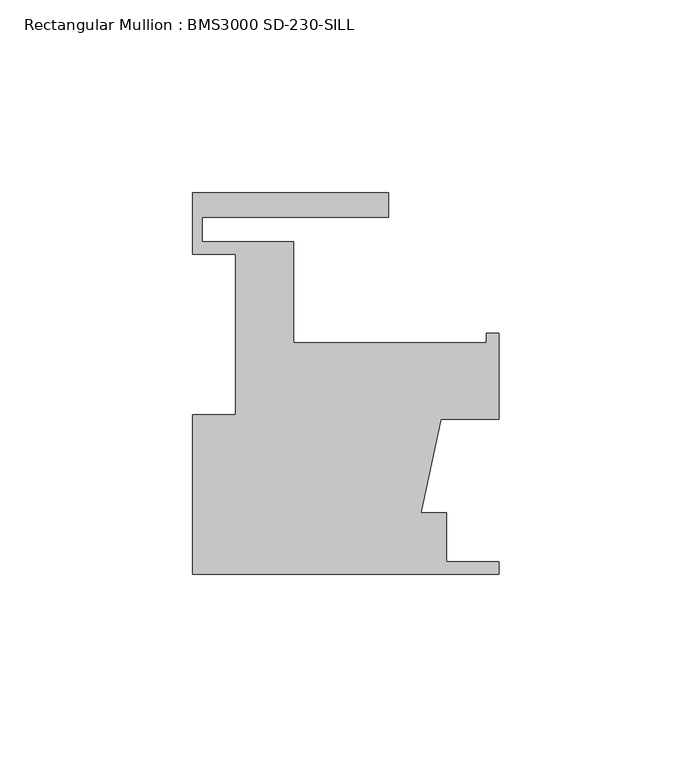
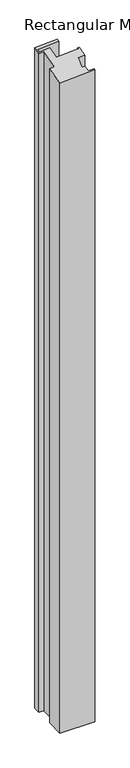
"""IFC4 building model written with IfcOpenShell, lengths in millimetres: member geometry, Rectangular Mullion : BMS3000 SD-230-SILL."""

import ifcopenshell
import ifcopenshell.guid

model = None  # the IFC model being written
_history = None  # IfcOwnerHistory: only IFC2X3 demands one
_inside = {}  # id of a spatial element -> (the spatial element, [elements in it])
_under = {}  # id of a project, library or spatial element -> (it, [spatial elements below it])
_declared = {}  # id of a project -> (the project, [libraries it declares])
_typed = {}  # id of a type object -> (the type object, [elements of that type])
_made_of = {}  # id of a material, layer set ... -> (it, [elements and type objects made of it])


def new_model(schema):
    """Start an empty IFC model of exactly this schema.

    Asked for "IFC4X3", IfcOpenShell would pick the latest addendum, in which some entities
    have other attributes; the version numbers below select the first issue.
    IFC2X3 requires an IfcOwnerHistory on every rooted entity: one is made here for all.
    """
    global model, _history
    if schema == "IFC4X3":
        model = ifcopenshell.file(schema_version=(4, 3, 0, 0))
    else:
        model = ifcopenshell.file(schema=schema)
    _inside.clear()
    _under.clear()
    _declared.clear()
    _typed.clear()
    _made_of.clear()
    _history = None
    if model.schema == "IFC2X3":
        org = make("IfcOrganization", Name="unknown")
        user = make(
            "IfcPersonAndOrganization",
            ThePerson=make("IfcPerson", FamilyName="unknown"),
            TheOrganization=org,
        )
        app = make(
            "IfcApplication",
            ApplicationDeveloper=org,
            Version="unknown",
            ApplicationFullName="unknown",
            ApplicationIdentifier="unknown",
        )
        _history = make(
            "IfcOwnerHistory",
            OwningUser=user,
            OwningApplication=app,
            ChangeAction="ADDED",
            CreationDate=0,
        )
    return model


def make(cls, **values):
    """One entity of the class cls with the attributes given. An attribute that is None is left unset."""
    return model.create_entity(
        cls, **{name: value for name, value in values.items() if value is not None}
    )


def rooted(cls, **values):
    """An entity with a GlobalId (a new one), such as an element, a storey or a relation."""
    return make(cls, GlobalId=ifcopenshell.guid.new(), OwnerHistory=_history, **values)


def si_unit(unit_type, name, prefix=None):
    """IfcSIUnit, for example si_unit("LENGTHUNIT", "METRE", prefix="MILLI")."""
    return make("IfcSIUnit", UnitType=unit_type, Prefix=prefix, Name=name)


def assignment(units):
    """IfcUnitAssignment: the units of a project."""
    return None if units is None else make("IfcUnitAssignment", Units=units)


def point(xyz):
    """IfcCartesianPoint."""
    return None if xyz is None else make("IfcCartesianPoint", Coordinates=xyz)


def direction(xyz):
    """IfcDirection."""
    return None if xyz is None else make("IfcDirection", DirectionRatios=xyz)


def frame(location, z_axis=None, x_axis=None):
    """IfcAxis2Placement3D, a coordinate frame: its origin and axes. An axis left out is left unset."""
    return make(
        "IfcAxis2Placement3D",
        Location=point(location),
        Axis=direction(z_axis),
        RefDirection=direction(x_axis),
    )


def origin():
    """The frame at (0, 0, 0) with its axes left unset."""
    return frame((0.0, 0.0, 0.0))


def place(relative_to, where):
    """IfcLocalPlacement: puts the frame where relative to a parent placement (None: the world)."""
    return make(
        "IfcLocalPlacement", PlacementRelTo=relative_to, RelativePlacement=where
    )


def context(
    kind, dimensions, precision=None, world=None, true_north=None, identifier=None
):
    """IfcGeometricRepresentationContext, for example the 3D "Model" context."""
    return make(
        "IfcGeometricRepresentationContext",
        ContextIdentifier=identifier,
        ContextType=kind,
        CoordinateSpaceDimension=dimensions,
        Precision=precision,
        WorldCoordinateSystem=world,
        TrueNorth=true_north,
    )


def project(units=None, contexts=None):
    """IfcProject with its units and contexts."""
    return rooted(
        "IfcProject",
        Name="project",
        RepresentationContexts=contexts,
        UnitsInContext=assignment(units),
    )


def spatial(cls, under=None, at=None, **own):
    """A site, building, storey or space (cls), placed at a placement, below another one or the project."""
    s = rooted(cls, ObjectPlacement=at, **own)
    if under is not None:
        _under.setdefault(under.id(), (under, []))[1].append(s)
    return s


def faces_of(points, faces, orient=None, outer=None):
    """IfcFace entities. A face is a list of loops; a loop is a list of indices into points, from 0.

    orient and outer hold one flag for each loop. By default every Orientation is true, the
    first loop of a face is its IfcFaceOuterBound and the others are IfcFaceBound.
    """
    made = []
    for i, loops in enumerate(faces):
        bounds = []
        for j, loop in enumerate(loops):
            is_outer = j == 0 if outer is None else outer[i][j]
            bounds.append(
                make(
                    "IfcFaceOuterBound" if is_outer else "IfcFaceBound",
                    Bound=make("IfcPolyLoop", Polygon=[points[k] for k in loop]),
                    Orientation=True if orient is None else orient[i][j],
                )
            )
        made.append(make("IfcFace", Bounds=bounds))
    return made


def faceted_brep(points, faces, orient=None, outer=None, voids=None):
    """IfcFacetedBrep: a solid bounded by flat faces; with voids (closed shells), ...WithVoids."""
    shared = [point(p) for p in points]
    hull = make("IfcClosedShell", CfsFaces=faces_of(shared, faces, orient, outer))
    if voids is None:
        return make("IfcFacetedBrep", Outer=hull)
    return make(
        "IfcFacetedBrepWithVoids",
        Outer=hull,
        Voids=[
            make(cls, CfsFaces=faces_of(shared, fs, o, b)) for cls, fs, o, b in voids
        ],
    )


def shape(context_of_items, identifier, shape_type, items):
    """IfcShapeRepresentation: the items that make up one representation, for example the "Body"."""
    return make(
        "IfcShapeRepresentation",
        ContextOfItems=context_of_items,
        RepresentationIdentifier=identifier,
        RepresentationType=shape_type,
        Items=items,
    )


def source(mapping_origin, context_of_items, identifier, shape_type, items):
    """IfcRepresentationMap: a shape defined once, which mapped items show again and again."""
    return make(
        "IfcRepresentationMap",
        MappingOrigin=mapping_origin,
        MappedRepresentation=shape(context_of_items, identifier, shape_type, items),
    )


def transform(
    local_origin,
    x_axis=None,
    y_axis=None,
    z_axis=None,
    scale=None,
    scale2=None,
    scale3=None,
    uniform=True,
):
    """IfcCartesianTransformationOperator3D, or its non-uniform kind. x_axis, y_axis, z_axis: its Axis1, 2, 3."""
    if uniform:
        return make(
            "IfcCartesianTransformationOperator3D",
            Axis1=direction(x_axis),
            Axis2=direction(y_axis),
            LocalOrigin=point(local_origin),
            Scale=scale,
            Axis3=direction(z_axis),
        )
    return make(
        "IfcCartesianTransformationOperator3DnonUniform",
        Axis1=direction(x_axis),
        Axis2=direction(y_axis),
        LocalOrigin=point(local_origin),
        Scale=scale,
        Axis3=direction(z_axis),
        Scale2=scale2,
        Scale3=scale3,
    )


def mapped(mapping_source, mapping_target):
    """IfcMappedItem: shows the shape of a source again, moved by a transform."""
    return make(
        "IfcMappedItem", MappingSource=mapping_source, MappingTarget=mapping_target
    )


def made_of(thing, what):
    """Note that an element or type object is made of a material, layer set ...; save() writes the relation."""
    if what is not None:
        _made_of.setdefault(what.id(), (what, []))[1].append(thing)
    return thing


def element(
    cls,
    number,
    at=None,
    inside=None,
    cuts=None,
    type_object=None,
    material=None,
    context=None,
    identifier="Body",
    shape_type=None,
    held_by="IfcProductDefinitionShape",
    body=None,
    shapes=None,
    **own,
):
    """One element of the class cls, such as IfcWall. Its Tag is "e" and its number.

    at: its placement. inside: the storey or other place that contains it. cuts: it is an
    opening in that element (IfcRelVoidsElement). A single representation is given by context,
    identifier, shape_type and body (its items); several are given by shapes. held_by: the class
    of the entity that holds the representations. save() writes the other relations.
    """
    e = rooted(cls, Tag="e%d" % number, ObjectPlacement=at, **own)
    if body is not None:
        shapes = [shape(context, identifier, shape_type, body)]
    if shapes is not None:
        e.Representation = make(held_by, Representations=shapes)
    if inside is not None:
        _inside.setdefault(inside.id(), (inside, []))[1].append(e)
    if cuts is not None:
        rooted(
            "IfcRelVoidsElement", RelatingBuildingElement=cuts, RelatedOpeningElement=e
        )
    if type_object is not None:
        _typed.setdefault(type_object.id(), (type_object, []))[1].append(e)
    return made_of(e, material)


def aggregate(whole, parts):
    """IfcRelAggregates: a whole, such as a stair, and the parts it consists of."""
    return rooted("IfcRelAggregates", RelatingObject=whole, RelatedObjects=parts)


def save(model, path):
    """Write the relations noted so far, then the file.

    IfcRelAggregates (storeys below a building ...), IfcRelContainedInSpatialStructure (elements
    in a storey), IfcRelDefinesByType, IfcRelAssociatesMaterial and IfcRelDeclares: one each for
    every whole, place, type object, material and project.
    """
    for whole, parts in _under.values():
        aggregate(whole, parts)
    for where, things in _inside.values():
        rooted(
            "IfcRelContainedInSpatialStructure",
            RelatedElements=things,
            RelatingStructure=where,
        )
    for kind, things in _typed.values():
        rooted("IfcRelDefinesByType", RelatedObjects=things, RelatingType=kind)
    for what, things in _made_of.values():
        rooted("IfcRelAssociatesMaterial", RelatedObjects=things, RelatingMaterial=what)
    for by, libraries in _declared.values():
        rooted("IfcRelDeclares", RelatingContext=by, RelatedDefinitions=libraries)
    model.write(path)


def rectangular_mullion_bms3000_sd_230_sill_43c1ad6a(model_context):
    return source(origin(), model_context, "Body", "Brep", [
        faceted_brep([(-79.375, -41.3742187, -1577.7608989), (-79.375, -0.0992187, -1577.7608989), (-68.2498, -0.0992187, -1577.7608989), (-68.2498, 41.5313813, -1577.7608989), (-79.375, 41.5313813, -1577.7608989), (-79.375, 57.4063813, -1577.7608989), (-28.575, 57.4063813, -1577.7608989), (-28.575, 51.0563813, -1577.7608989), (-76.9874, 51.0563813, -1577.7608989), (-76.9874, 44.7063813, -1577.7608989), (-53.1876, 44.7063813, -1577.7608989), (-53.1876, 18.6205813, -1577.7608989), (-3.175, 18.6205813, -1577.7608989), (-3.175, 21.0081813, -1577.7608989), (0.0, 21.0081813, -1577.7608989), (0.0, -1.2168187, -1577.7608989), (-15.0490902, -1.2168187, -1577.7608989), (-20.2104736, -25.4992187, -1577.7608989), (-13.589, -25.4992187, -1577.7608989), (-13.589, -38.1992187, -1577.7608989), (0.0, -38.1992187, -1577.7608989), (0.0, -41.3742187, -1577.7608989), (0.0, -41.3742187, -10.7325429), (-79.375, -41.3742187, -16.0616298), (0.0, -38.1992187, -9.9089425), (-13.589, -38.1992187, -10.8212822), (-13.589, -25.4992187, -7.5268805), (-20.2104736, -25.4992187, -7.9714337), (-15.0490902, -1.2168187, -1.3260122), (0.0, -1.2168187, -0.3156449), (0.0, 21.0081813, 5.4495581), (-3.175, 21.0081813, 5.2363946), (-3.175, 18.6205813, 4.6170471), (-53.1876, 18.6205813, 1.259296), (-53.1876, 44.7063813, 8.0259971), (-76.9874, 44.7063813, 6.4281237), (-76.9874, 51.0563813, 8.0753245), (-28.575, 51.0563813, 11.3256411), (-28.575, 57.4063813, 12.972842), (-79.375, 57.4063813, 9.5622264), (-79.375, 41.5313813, 5.4442243), (-68.2498, 41.5313813, 6.1911491), (-68.2498, -0.0992187, -4.6078995), (-79.375, -0.0992187, -5.3548243)], [[[0, 1, 2, 3, 4, 5, 6, 7, 8, 9, 10, 11, 12, 13, 14, 15, 16, 17, 18, 19, 20, 21]], [[22, 23, 0, 21]], [[24, 22, 21, 20]], [[25, 24, 20, 19]], [[26, 25, 19, 18]], [[27, 26, 18, 17]], [[28, 27, 17, 16]], [[29, 28, 16, 15]], [[30, 29, 15, 14]], [[31, 30, 14, 13]], [[32, 31, 13, 12]], [[33, 32, 12, 11]], [[34, 33, 11, 10]], [[35, 34, 10, 9]], [[36, 35, 9, 8]], [[37, 36, 8, 7]], [[38, 37, 7, 6]], [[39, 38, 6, 5]], [[40, 39, 5, 4]], [[41, 40, 4, 3]], [[42, 41, 3, 2]], [[43, 42, 2, 1]], [[23, 43, 1, 0]], [[23, 22, 24, 25, 26, 27, 28, 29, 30, 31, 32, 33, 34, 35, 36, 37, 38, 39, 40, 41, 42, 43]]]),
    ])


if __name__ == "__main__":
    model = new_model("IFC4")
    model_context = context("Model", 3, world=origin())
    ifc_project = project(units=[si_unit("LENGTHUNIT", "METRE", prefix="MILLI")], contexts=[model_context])
    site = spatial("IfcSite", under=ifc_project)
    building = spatial("IfcBuilding", under=site)
    placement = place(None, origin())
    rectangular_mullion_bms3000_sd_230_sill_shape = rectangular_mullion_bms3000_sd_230_sill_43c1ad6a(model_context)
    element("IfcMember", 1, ObjectType="Rectangular Mullion : BMS3000 SD-230-SILL", at=placement, inside=building, context=model_context, shape_type="MappedRepresentation", body=[
        mapped(rectangular_mullion_bms3000_sd_230_sill_shape, transform((0.0, 0.0, 0.0), x_axis=(1.0, 0.0, 0.0), y_axis=(0.0, 1.0, 0.0), z_axis=(0.0, 0.0, 1.0))),
    ])
    save(model, "model.ifc")
